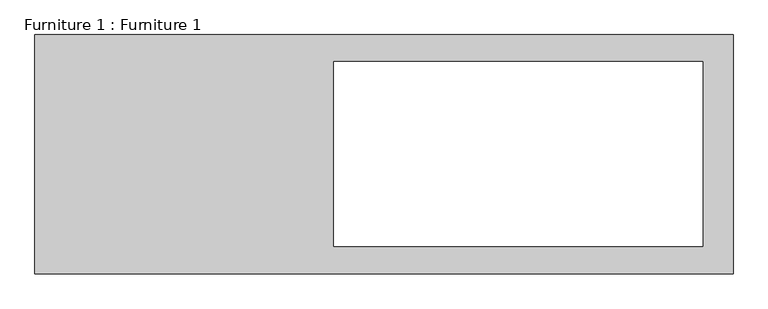
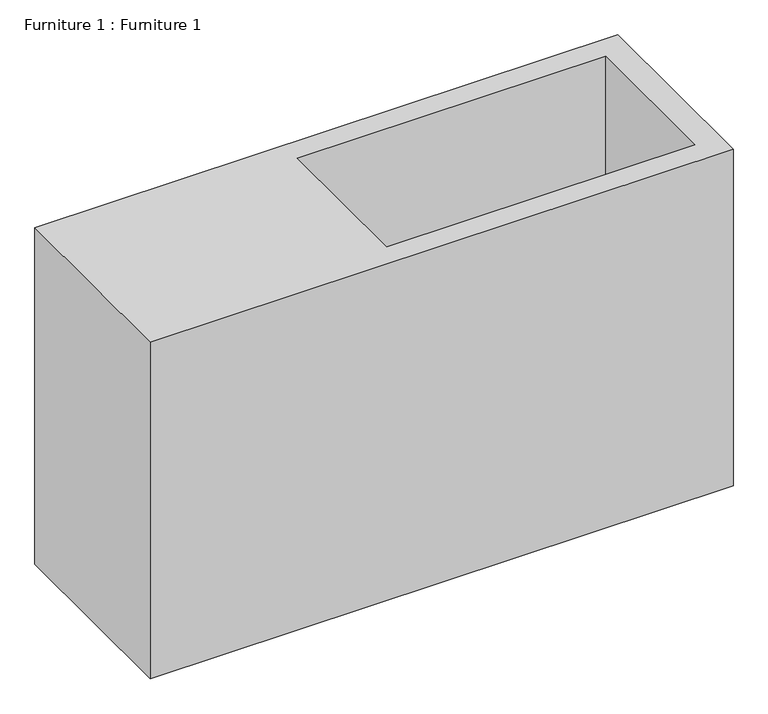
"""IFC4 building model written with IfcOpenShell, lengths in millimetres: furniture geometry, Furniture 1 : Furniture 1."""

import ifcopenshell
import ifcopenshell.guid

model = None  # the IFC model being written
_history = None  # IfcOwnerHistory: only IFC2X3 demands one
_inside = {}  # id of a spatial element -> (the spatial element, [elements in it])
_under = {}  # id of a project, library or spatial element -> (it, [spatial elements below it])
_declared = {}  # id of a project -> (the project, [libraries it declares])
_typed = {}  # id of a type object -> (the type object, [elements of that type])
_made_of = {}  # id of a material, layer set ... -> (it, [elements and type objects made of it])


def new_model(schema):
    """Start an empty IFC model of exactly this schema.

    Asked for "IFC4X3", IfcOpenShell would pick the latest addendum, in which some entities
    have other attributes; the version numbers below select the first issue.
    IFC2X3 requires an IfcOwnerHistory on every rooted entity: one is made here for all.
    """
    global model, _history
    if schema == "IFC4X3":
        model = ifcopenshell.file(schema_version=(4, 3, 0, 0))
    else:
        model = ifcopenshell.file(schema=schema)
    _inside.clear()
    _under.clear()
    _declared.clear()
    _typed.clear()
    _made_of.clear()
    _history = None
    if model.schema == "IFC2X3":
        org = make("IfcOrganization", Name="unknown")
        user = make(
            "IfcPersonAndOrganization",
            ThePerson=make("IfcPerson", FamilyName="unknown"),
            TheOrganization=org,
        )
        app = make(
            "IfcApplication",
            ApplicationDeveloper=org,
            Version="unknown",
            ApplicationFullName="unknown",
            ApplicationIdentifier="unknown",
        )
        _history = make(
            "IfcOwnerHistory",
            OwningUser=user,
            OwningApplication=app,
            ChangeAction="ADDED",
            CreationDate=0,
        )
    return model


def make(cls, **values):
    """One entity of the class cls with the attributes given. An attribute that is None is left unset."""
    return model.create_entity(
        cls, **{name: value for name, value in values.items() if value is not None}
    )


def rooted(cls, **values):
    """An entity with a GlobalId (a new one), such as an element, a storey or a relation."""
    return make(cls, GlobalId=ifcopenshell.guid.new(), OwnerHistory=_history, **values)


def si_unit(unit_type, name, prefix=None):
    """IfcSIUnit, for example si_unit("LENGTHUNIT", "METRE", prefix="MILLI")."""
    return make("IfcSIUnit", UnitType=unit_type, Prefix=prefix, Name=name)


def assignment(units):
    """IfcUnitAssignment: the units of a project."""
    return None if units is None else make("IfcUnitAssignment", Units=units)


def point(xyz):
    """IfcCartesianPoint."""
    return None if xyz is None else make("IfcCartesianPoint", Coordinates=xyz)


def direction(xyz):
    """IfcDirection."""
    return None if xyz is None else make("IfcDirection", DirectionRatios=xyz)


def frame(location, z_axis=None, x_axis=None):
    """IfcAxis2Placement3D, a coordinate frame: its origin and axes. An axis left out is left unset."""
    return make(
        "IfcAxis2Placement3D",
        Location=point(location),
        Axis=direction(z_axis),
        RefDirection=direction(x_axis),
    )


def origin():
    """The frame at (0, 0, 0) with its axes left unset."""
    return frame((0.0, 0.0, 0.0))


def origin_with_axes():
    """The frame at (0, 0, 0) with the z axis (0, 0, 1) and the x axis (1, 0, 0) written out."""
    return frame((0.0, 0.0, 0.0), z_axis=(0.0, 0.0, 1.0), x_axis=(1.0, 0.0, 0.0))


def place(relative_to, where):
    """IfcLocalPlacement: puts the frame where relative to a parent placement (None: the world)."""
    return make(
        "IfcLocalPlacement", PlacementRelTo=relative_to, RelativePlacement=where
    )


def context(
    kind, dimensions, precision=None, world=None, true_north=None, identifier=None
):
    """IfcGeometricRepresentationContext, for example the 3D "Model" context."""
    return make(
        "IfcGeometricRepresentationContext",
        ContextIdentifier=identifier,
        ContextType=kind,
        CoordinateSpaceDimension=dimensions,
        Precision=precision,
        WorldCoordinateSystem=world,
        TrueNorth=true_north,
    )


def project(units=None, contexts=None):
    """IfcProject with its units and contexts."""
    return rooted(
        "IfcProject",
        Name="project",
        RepresentationContexts=contexts,
        UnitsInContext=assignment(units),
    )


def spatial(cls, under=None, at=None, **own):
    """A site, building, storey or space (cls), placed at a placement, below another one or the project."""
    s = rooted(cls, ObjectPlacement=at, **own)
    if under is not None:
        _under.setdefault(under.id(), (under, []))[1].append(s)
    return s


def polyline(points):
    """IfcPolyline through the points."""
    return make("IfcPolyline", Points=[point(p) for p in points])


def outline(outer, holes=None, kind="AREA"):
    """IfcArbitraryClosedProfileDef: a profile drawn as a closed curve; with holes, ...WithVoids."""
    if holes is None:
        return make("IfcArbitraryClosedProfileDef", ProfileType=kind, OuterCurve=outer)
    return make(
        "IfcArbitraryProfileDefWithVoids",
        ProfileType=kind,
        OuterCurve=outer,
        InnerCurves=holes,
    )


def extrude(swept, where, along, depth):
    """IfcExtrudedAreaSolid: the profile swept, set in the frame where, extruded along a direction by depth."""
    return make(
        "IfcExtrudedAreaSolid",
        SweptArea=swept,
        Position=where,
        ExtrudedDirection=direction(along),
        Depth=depth,
    )


def shape(context_of_items, identifier, shape_type, items):
    """IfcShapeRepresentation: the items that make up one representation, for example the "Body"."""
    return make(
        "IfcShapeRepresentation",
        ContextOfItems=context_of_items,
        RepresentationIdentifier=identifier,
        RepresentationType=shape_type,
        Items=items,
    )


def source(mapping_origin, context_of_items, identifier, shape_type, items):
    """IfcRepresentationMap: a shape defined once, which mapped items show again and again."""
    return make(
        "IfcRepresentationMap",
        MappingOrigin=mapping_origin,
        MappedRepresentation=shape(context_of_items, identifier, shape_type, items),
    )


def transform(
    local_origin,
    x_axis=None,
    y_axis=None,
    z_axis=None,
    scale=None,
    scale2=None,
    scale3=None,
    uniform=True,
):
    """IfcCartesianTransformationOperator3D, or its non-uniform kind. x_axis, y_axis, z_axis: its Axis1, 2, 3."""
    if uniform:
        return make(
            "IfcCartesianTransformationOperator3D",
            Axis1=direction(x_axis),
            Axis2=direction(y_axis),
            LocalOrigin=point(local_origin),
            Scale=scale,
            Axis3=direction(z_axis),
        )
    return make(
        "IfcCartesianTransformationOperator3DnonUniform",
        Axis1=direction(x_axis),
        Axis2=direction(y_axis),
        LocalOrigin=point(local_origin),
        Scale=scale,
        Axis3=direction(z_axis),
        Scale2=scale2,
        Scale3=scale3,
    )


def mapped(mapping_source, mapping_target):
    """IfcMappedItem: shows the shape of a source again, moved by a transform."""
    return make(
        "IfcMappedItem", MappingSource=mapping_source, MappingTarget=mapping_target
    )


def made_of(thing, what):
    """Note that an element or type object is made of a material, layer set ...; save() writes the relation."""
    if what is not None:
        _made_of.setdefault(what.id(), (what, []))[1].append(thing)
    return thing


def element(
    cls,
    number,
    at=None,
    inside=None,
    cuts=None,
    type_object=None,
    material=None,
    context=None,
    identifier="Body",
    shape_type=None,
    held_by="IfcProductDefinitionShape",
    body=None,
    shapes=None,
    **own,
):
    """One element of the class cls, such as IfcWall. Its Tag is "e" and its number.

    at: its placement. inside: the storey or other place that contains it. cuts: it is an
    opening in that element (IfcRelVoidsElement). A single representation is given by context,
    identifier, shape_type and body (its items); several are given by shapes. held_by: the class
    of the entity that holds the representations. save() writes the other relations.
    """
    e = rooted(cls, Tag="e%d" % number, ObjectPlacement=at, **own)
    if body is not None:
        shapes = [shape(context, identifier, shape_type, body)]
    if shapes is not None:
        e.Representation = make(held_by, Representations=shapes)
    if inside is not None:
        _inside.setdefault(inside.id(), (inside, []))[1].append(e)
    if cuts is not None:
        rooted(
            "IfcRelVoidsElement", RelatingBuildingElement=cuts, RelatedOpeningElement=e
        )
    if type_object is not None:
        _typed.setdefault(type_object.id(), (type_object, []))[1].append(e)
    return made_of(e, material)


def aggregate(whole, parts):
    """IfcRelAggregates: a whole, such as a stair, and the parts it consists of."""
    return rooted("IfcRelAggregates", RelatingObject=whole, RelatedObjects=parts)


def save(model, path):
    """Write the relations noted so far, then the file.

    IfcRelAggregates (storeys below a building ...), IfcRelContainedInSpatialStructure (elements
    in a storey), IfcRelDefinesByType, IfcRelAssociatesMaterial and IfcRelDeclares: one each for
    every whole, place, type object, material and project.
    """
    for whole, parts in _under.values():
        aggregate(whole, parts)
    for where, things in _inside.values():
        rooted(
            "IfcRelContainedInSpatialStructure",
            RelatedElements=things,
            RelatingStructure=where,
        )
    for kind, things in _typed.values():
        rooted("IfcRelDefinesByType", RelatedObjects=things, RelatingType=kind)
    for what, things in _made_of.values():
        rooted("IfcRelAssociatesMaterial", RelatedObjects=things, RelatingMaterial=what)
    for by, libraries in _declared.values():
        rooted("IfcRelDeclares", RelatingContext=by, RelatedDefinitions=libraries)
    model.write(path)


def furniture_1_furniture_1_2fd5a20a(model_context):
    return source(origin(), model_context, "Body", "SweptSolid", [
        extrude(outline(polyline([(5369.9253592, 5498.3780471), (5369.9253592, 4898.3780471), (3618.6570033, 4898.3780471), (3618.6570033, 5498.3780471), (5369.9253592, 5498.3780471)]), holes=[polyline([(5294.4253592, 5430.6061039), (4368.4081175, 5430.6061039), (4368.4081175, 4966.6061039), (5294.4253592, 4966.6061039), (5294.4253592, 5430.6061039)])]), origin_with_axes(), (0.0, 0.0, 1.0), 1068.0),
    ])


if __name__ == "__main__":
    model = new_model("IFC4")
    model_context = context("Model", 3, world=origin())
    ifc_project = project(units=[si_unit("LENGTHUNIT", "METRE", prefix="MILLI")], contexts=[model_context])
    site = spatial("IfcSite", under=ifc_project)
    building = spatial("IfcBuilding", under=site)
    placement = place(None, origin())
    furniture_1_furniture_1_shape = furniture_1_furniture_1_2fd5a20a(model_context)
    element("IfcFurniture", 1, ObjectType="Furniture 1 : Furniture 1", at=placement, inside=building, context=model_context, shape_type="MappedRepresentation", body=[
        mapped(furniture_1_furniture_1_shape, transform((0.0, 0.0, 0.0), x_axis=(1.0, 0.0, 0.0), y_axis=(0.0, 1.0, 0.0), z_axis=(0.0, 0.0, 1.0))),
    ])
    save(model, "model.ifc")
